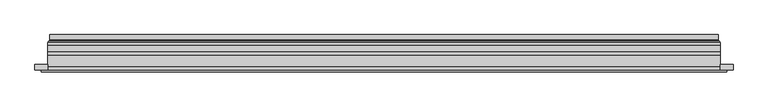
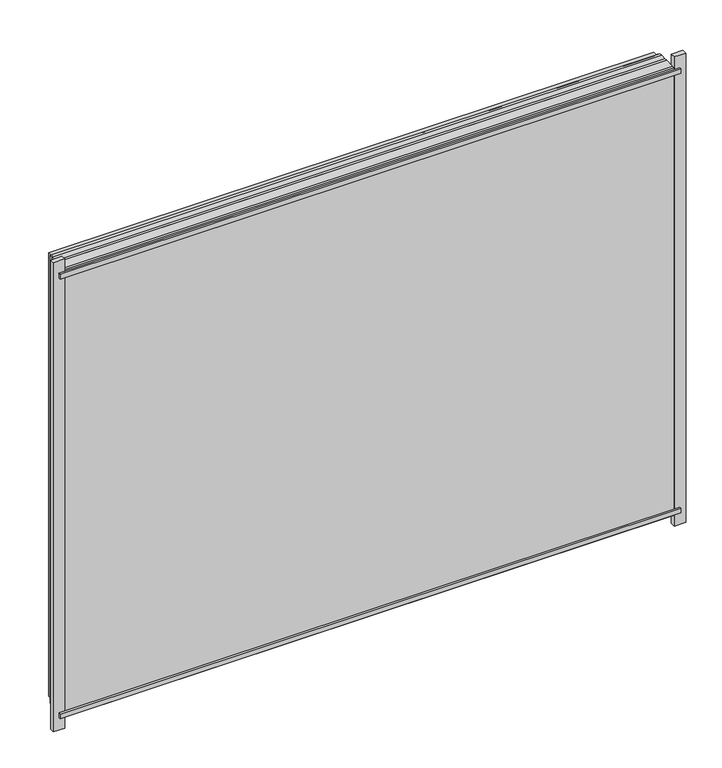
"""IFC4 building model written with IfcOpenShell, lengths in millimetres: plate geometry."""

from ifc_helpers import new_model, si_unit, frame, origin, place, context, project, spatial, polyline, ellipse_curve, outline, extrude, source, transform, mapped, element, save
from ifc_brep_helpers import plane_surface, cylinder_surface, revolved_surface, advanced_brep


def plate_a16c821b(model_context):
    return source(origin(), model_context, "Body", "SolidModel", [
        extrude(outline(polyline([(28.0, -591.5), (28.0, 591.5), (936.0000001, 591.5), (936.0000001, -591.5), (28.0, -591.5)]), holes=[polyline([(33.0, 586.5), (33.0, -586.5), (931.0000001, -586.5), (931.0000001, 586.5), (33.0, 586.5)])]), frame((0.0, 0.0, 0.0), z_axis=(0.0, 1.0, 0.0), x_axis=(0.0, 0.0, 1.0)), (0.0, 0.0, 1.0), 12.0),
        extrude(outline(polyline([(6.0, -613.5), (6.0, 613.5), (958.0000001, 613.5), (958.0000001, -613.5), (6.0, -613.5)]), holes=[polyline([(28.0, 591.5), (28.0, -591.5), (936.0000001, -591.5), (936.0000001, 591.5), (28.0, 591.5)])]), frame((0.0, -26.0, 0.0), z_axis=(0.0, 1.0, 0.0), x_axis=(0.0, 0.0, 1.0)), (0.0, 0.0, 1.0), 20.0),
        extrude(outline(polyline([(6.0, -613.5), (6.0, 613.5), (958.0000001, 613.5), (958.0000001, -613.5), (6.0, -613.5)]), holes=[polyline([(28.0, 591.5), (28.0, -591.5), (936.0000001, -591.5), (936.0000001, 591.5), (28.0, 591.5)])]), frame((0.0, -26.0, 0.0), z_axis=(0.0, 1.0, 0.0), x_axis=(0.0, 0.0, 1.0)), (0.0, 0.0, 1.0), 20.0),
        extrude(outline(polyline([(613.5, -6.0), (-613.5, -6.0), (-613.5, 0.0), (613.5, 0.0), (613.5, -6.0)])), frame((0.0, 0.0, 6.0), z_axis=(0.0, 0.0, 1.0), x_axis=(1.0, 0.0, 0.0)), (0.0, 0.0, 1.0), 952.0000001),
        extrude(outline(polyline([(625.0, -36.0), (-625.0, -36.0), (-625.0, -32.0), (625.0, -32.0), (625.0, -36.0)])), frame((0.0, 0.0, 944.5000001), z_axis=(0.0, 0.0, 1.0), x_axis=(1.0, 0.0, 0.0)), (0.0, 0.0, 1.0), 10.0),
        extrude(outline(polyline([(625.0, -36.0), (-625.0, -36.0), (-625.0, -32.0), (625.0, -32.0), (625.0, -36.0)])), frame((0.0, 0.0, 9.5), z_axis=(0.0, 0.0, 1.0), x_axis=(1.0, 0.0, 0.0)), (0.0, 0.0, 1.0), 10.0),
        extrude(outline(polyline([(-636.5, -32.0), (-636.5, -22.51), (-613.5, -22.51), (-613.5, -32.0), (-636.5, -32.0)])), frame((0.0, 0.0, -17.0), z_axis=(0.0, 0.0, 1.0), x_axis=(1.0, 0.0, 0.0)), (0.0, 0.0, 1.0), 998.0000001),
        extrude(outline(polyline([(636.5, -32.0), (613.5, -32.0), (613.5, -22.51), (636.5, -22.51), (636.5, -32.0)])), frame((0.0, 0.0, -17.0), z_axis=(0.0, 0.0, 1.0), x_axis=(1.0, 0.0, 0.0)), (0.0, 0.0, 1.0), 998.0000001),
        extrude(outline(polyline([(6.0, -613.5), (6.0, 613.5), (958.0000001, 613.5), (958.0000001, -613.5), (6.0, -613.5)]), holes=[polyline([(28.0, 591.5), (28.0, -591.5), (936.0000001, -591.5), (936.0000001, 591.5), (28.0, 591.5)])]), frame((0.0, 0.0, 0.0), z_axis=(0.0, 1.0, 0.0), x_axis=(0.0, 0.0, 1.0)), (0.0, 0.0, 1.0), 12.0),
        extrude(outline(polyline([(28.0, -591.5), (28.0, 591.5), (936.0000001, 591.5), (936.0000001, -591.5), (28.0, -591.5)]), holes=[polyline([(33.0, 586.5), (33.0, -586.5), (931.0000001, -586.5), (931.0000001, 586.5), (33.0, 586.5)])]), frame((0.0, -26.0, 0.0), z_axis=(0.0, 1.0, 0.0), x_axis=(0.0, 0.0, 1.0)), (0.0, 0.0, 1.0), 20.0),
        extrude(outline(polyline([(613.5, 18.0), (613.5, 12.0), (-613.5, 12.0), (-613.5, 18.0), (613.5, 18.0)])), frame((0.0, 0.0, 6.0), z_axis=(0.0, 0.0, 1.0), x_axis=(1.0, 0.0, 0.0)), (0.0, 0.0, 1.0), 952.0000001),
        extrude(outline(polyline([(-613.5, -32.0), (-613.5, -26.0), (613.5, -26.0), (613.5, -32.0), (-613.5, -32.0)])), frame((0.0, 0.0, 6.0), z_axis=(0.0, 0.0, 1.0), x_axis=(1.0, 0.0, 0.0)), (0.0, 0.0, 1.0), 952.0000001),
        advanced_brep(
        [(600.0000103, 32.0, 19.4999897), (-600.0000103, 32.0, 19.4999897), (-600.0000103, 21.9110895, 19.4999897), (600.0000103, 21.9110895, 19.4999897), (608.9986526, 23.3044663, 10.5013474), (-608.9986526, 23.3044663, 10.5013474), (-608.9986526, 32.0, 10.5013474), (608.9986526, 32.0, 10.5013474), (610.6689727, 20.9442833, 8.8310273), (-610.6689727, 20.9442833, 8.8310273), (610.2544044, 18.0034569, 9.2455956), (-610.2544044, 18.0034569, 9.2455956), (599.0620948, 20.2163959, 20.4379052), (-599.0620948, 20.2163959, 20.4379052), (-599.6992268, 18.0000006, 19.8007732), (599.6992268, 18.0000006, 19.8007732), (-600.0000103, 32.0, 944.5000104), (-600.0000103, 21.9110895, 944.5000104), (-608.9986526, 23.3044663, 953.4986527), (-608.9986526, 32.0, 953.4986527), (-610.6689727, 20.9442833, 955.1689729), (-610.2544044, 18.0034569, 954.7544045), (-599.0620948, 20.2163959, 943.5620949), (-599.6992268, 18.0000006, 944.1992269), (600.0000103, 32.0, 944.5000104), (600.0000103, 21.9110895, 944.5000104), (608.9986526, 23.3044663, 953.4986527), (608.9986526, 32.0, 953.4986527), (610.6689727, 20.9442833, 955.1689729), (610.2544044, 18.0034569, 954.7544045), (599.0620948, 20.2163959, 943.5620949), (599.6992268, 18.0000006, 944.1992269)],
        [
            (0, 1),
            (1, 2),
            (2, 3),
            (3, 0),
            (4, 5),
            (5, 6),
            (6, 7),
            (7, 4),
            (8, 9),
            (9, 5, ellipse_curve(frame((-611.3086832, 23.1681522, 8.1913168), z_axis=(-0.7071067811865475, 0.0, 0.7071067811865475), x_axis=(-0.7071067811865476, 0.0, -0.7071067811865474)), 3.2725594, 2.314049)),
            (4, 8, ellipse_curve(frame((611.3086832, 23.1681522, 8.1913168), z_axis=(0.7071067811865475, 0.0, 0.7071067811865475), x_axis=(-0.7071067811865476, 0.0, 0.7071067811865474)), 3.2725594, 2.314049)),
            (10, 11),
            (11, 9, ellipse_curve(frame((-610.2544044, 19.5030909, 9.2455956), z_axis=(0.7071067811865475, 0.0, -0.7071067811865475), x_axis=(0.7071067811865476, 0.0, 0.7071067811865474)), 2.1208028, 1.4996341)),
            (8, 10, ellipse_curve(frame((610.2544044, 19.5030909, 9.2455956), z_axis=(-0.7071067811865475, 0.0, -0.7071067811865475), x_axis=(0.7071067811865476, 0.0, -0.7071067811865474)), 2.1208028, 1.4996341)),
            (12, 13),
            (13, 14, ellipse_curve(frame((-599.6992268, 19.1997743, 19.8007732), z_axis=(0.7071067811865475, 0.0, -0.7071067811865475), x_axis=(0.7071067811865476, 0.0, 0.7071067811865474)), 1.6967361, 1.1997736)),
            (14, 15),
            (15, 12, ellipse_curve(frame((599.6992268, 19.1997743, 19.8007732), z_axis=(-0.7071067811865475, 0.0, -0.7071067811865475), x_axis=(0.7071067811865476, 0.0, -0.7071067811865474)), 1.6967361, 1.1997736)),
            (2, 13, ellipse_curve(frame((-598.0000051, 21.9110895, 21.4999949), z_axis=(-0.7071067811865475, 0.0, 0.7071067811865475), x_axis=(-0.7071067811865476, 0.0, -0.7071067811865474)), 2.8284345, 2.0000052)),
            (12, 3, ellipse_curve(frame((598.0000051, 21.9110895, 21.4999949), z_axis=(0.7071067811865475, 0.0, 0.7071067811865475), x_axis=(-0.7071067811865476, 0.0, 0.7071067811865474)), 2.8284345, 2.0000052)),
            (1, 16),
            (16, 17),
            (17, 2),
            (5, 18),
            (18, 19),
            (19, 6),
            (9, 20),
            (20, 18, ellipse_curve(frame((-611.3086832, 23.1681522, 955.8086833), z_axis=(0.7071067811865475, 0.0, 0.7071067811865475), x_axis=(-0.7071067811865474, 0.0, 0.7071067811865476)), 3.2725594, 2.314049)),
            (11, 21),
            (21, 20, ellipse_curve(frame((-610.2544044, 19.5030909, 954.7544045), z_axis=(-0.7071067811865475, 0.0, -0.7071067811865475), x_axis=(0.7071067811865474, 0.0, -0.7071067811865476)), 2.1208028, 1.4996341)),
            (13, 22),
            (22, 23, ellipse_curve(frame((-599.6992268, 19.1997743, 944.1992269), z_axis=(-0.7071067811865475, 0.0, -0.7071067811865475), x_axis=(0.7071067811865474, 0.0, -0.7071067811865476)), 1.6967361, 1.1997736)),
            (23, 14),
            (17, 22, ellipse_curve(frame((-598.0000051, 21.9110895, 942.5000052), z_axis=(0.7071067811865475, 0.0, 0.7071067811865475), x_axis=(-0.7071067811865474, 0.0, 0.7071067811865476)), 2.8284345, 2.0000052)),
            (16, 24),
            (24, 25),
            (25, 17),
            (18, 26),
            (26, 27),
            (27, 19),
            (20, 28),
            (28, 26, ellipse_curve(frame((611.3086832, 23.1681522, 955.8086833), z_axis=(0.7071067811865475, 0.0, -0.7071067811865475), x_axis=(0.7071067811865476, 0.0, 0.7071067811865474)), 3.2725594, 2.314049)),
            (21, 29),
            (29, 28, ellipse_curve(frame((610.2544044, 19.5030909, 954.7544045), z_axis=(-0.7071067811865475, 0.0, 0.7071067811865475), x_axis=(-0.7071067811865476, 0.0, -0.7071067811865474)), 2.1208028, 1.4996341)),
            (22, 30),
            (30, 31, ellipse_curve(frame((599.6992268, 19.1997743, 944.1992269), z_axis=(-0.7071067811865475, 0.0, 0.7071067811865475), x_axis=(-0.7071067811865476, 0.0, -0.7071067811865474)), 1.6967361, 1.1997736)),
            (31, 23),
            (25, 30, ellipse_curve(frame((598.0000051, 21.9110895, 942.5000052), z_axis=(0.7071067811865475, 0.0, -0.7071067811865475), x_axis=(0.7071067811865476, 0.0, 0.7071067811865474)), 2.8284345, 2.0000052)),
            (24, 0),
            (3, 25),
            (26, 4),
            (7, 27),
            (28, 8),
            (29, 10),
            (31, 15),
            (30, 12),
        ],
        [
            plane_surface(frame((600.0000103, 21.9110895, 19.4999897), z_axis=(0.0, 0.0, 1.0), x_axis=(-1.0, 0.0, 0.0))),
            plane_surface(frame((608.9986526, 32.0, 10.5013474), z_axis=(0.0, 0.0, -1.0), x_axis=(-1.0, 0.0, 0.0))),
            revolved_surface(polyline([(-613.6227321435756, 25.482201200000002, 8.1913168), (613.6227321435758, 25.482201200000002, 8.1913168)]), (600.0, 23.1681522, 8.1913168), (-1.0, 0.0, 0.0)),
            cylinder_surface(frame((600.0, 19.5030909, 9.2455956), z_axis=(1.0, 0.0, 0.0), x_axis=(0.0, 1.0, 0.0)), 1.4996341),
            cylinder_surface(frame((600.0, 19.1997743, 19.8007732), z_axis=(1.0, 0.0, 0.0), x_axis=(0.0, 1.0, 0.0)), 1.1997736),
            revolved_surface(polyline([(-600.0000103150919, 23.9110947, 21.4999949), (600.0000103150919, 23.9110947, 21.4999949)]), (600.0, 21.9110895, 21.4999949), (-1.0, 0.0, 0.0)),
            plane_surface(frame((-600.0000103, 21.9110895, 19.4999897), z_axis=(1.0, 0.0, 0.0), x_axis=(0.0, 0.0, 1.0))),
            plane_surface(frame((-608.9986526, 32.0, 10.5013474), z_axis=(-1.0, 0.0, 0.0), x_axis=(0.0, 0.0, 1.0))),
            revolved_surface(polyline([(-611.3086832, 25.482201200000002, 958.1227322435758), (-611.3086832, 25.482201200000002, 5.87726785642422)]), (-611.3086832, 23.1681522, 19.5), (0.0, 0.0, 1.0)),
            cylinder_surface(frame((-610.2544044, 19.5030909, 19.5), z_axis=(0.0, 0.0, -1.0), x_axis=(0.0, 1.0, 0.0)), 1.4996341),
            cylinder_surface(frame((-599.6992268, 19.1997743, 19.5), z_axis=(0.0, 0.0, -1.0), x_axis=(0.0, 1.0, 0.0)), 1.1997736),
            revolved_surface(polyline([(-598.0000051, 23.9110947, 944.500010415092), (-598.0000051, 23.9110947, 19.49998968490802)]), (-598.0000051, 21.9110895, 19.5), (0.0, 0.0, 1.0)),
            plane_surface(frame((-600.0000103, 21.9110895, 944.5000104), z_axis=(0.0, 0.0, -1.0), x_axis=(1.0, 0.0, 0.0))),
            plane_surface(frame((-608.9986526, 32.0, 953.4986527), z_axis=(0.0, 0.0, 1.0), x_axis=(1.0, 0.0, 0.0))),
            revolved_surface(polyline([(613.6227321435756, 25.482201200000002, 955.8086833), (-613.6227321435758, 25.482201200000002, 955.8086833)]), (-600.0, 23.1681522, 955.8086833), (1.0, 0.0, 0.0)),
            cylinder_surface(frame((-600.0, 19.5030909, 954.7544045), z_axis=(-1.0, 0.0, 0.0), x_axis=(0.0, 1.0, 0.0)), 1.4996341),
            cylinder_surface(frame((-600.0, 19.1997743, 944.1992269), z_axis=(-1.0, 0.0, 0.0), x_axis=(0.0, 1.0, 0.0)), 1.1997736),
            revolved_surface(polyline([(600.0000103150919, 23.9110947, 942.5000052), (-600.0000103150919, 23.9110947, 942.5000052)]), (-600.0, 21.9110895, 942.5000052), (1.0, 0.0, 0.0)),
            plane_surface(frame((600.0000103, 21.9110895, 944.5000104), z_axis=(-1.0, 0.0, 0.0), x_axis=(0.0, 0.0, -1.0))),
            plane_surface(frame((608.9986526, 32.0, 953.4986527), z_axis=(1.0, 0.0, 0.0), x_axis=(0.0, 0.0, -1.0))),
            revolved_surface(polyline([(611.3086832, 25.482201200000002, 5.877267856424169), (611.3086832, 25.482201200000002, 958.1227322435758)]), (611.3086832, 23.1681522, 944.5000001), (0.0, 0.0, -1.0)),
            cylinder_surface(frame((610.2544044, 19.5030909, 944.5000001), z_axis=(0.0, 0.0, 1.0), x_axis=(0.0, 1.0, 0.0)), 1.4996341),
            plane_surface(frame((610.2544044, 18.0000006, 954.7544045), z_axis=(0.0, -1.0, 0.0), x_axis=(0.0, 0.0, -1.0))),
            cylinder_surface(frame((599.6992268, 19.1997743, 944.5000001), z_axis=(0.0, 0.0, 1.0), x_axis=(0.0, 1.0, 0.0)), 1.1997736),
            revolved_surface(polyline([(598.0000051, 23.9110947, 19.499989684908087), (598.0000051, 23.9110947, 944.500010415092)]), (598.0000051, 21.9110895, 944.5000001), (0.0, 0.0, -1.0)),
            plane_surface(frame((600.0000103, 32.0, 944.5000104), z_axis=(0.0, 1.0, 0.0), x_axis=(0.0, 0.0, -1.0))),
        ],
        [
            (0, [[1, 2, 3, 4]]),
            (1, [[5, 6, 7, 8]]),
            (2, [[9, 10, -5, 11]]),
            (3, [[12, 13, -9, 14]]),
            (4, [[15, 16, 17, 18]]),
            (5, [[-3, 19, -15, 20]]),
            (6, [[21, 22, 23, -2]]),
            (7, [[24, 25, 26, -6]]),
            (8, [[27, 28, -24, -10]]),
            (9, [[29, 30, -27, -13]]),
            (10, [[31, 32, 33, -16]]),
            (11, [[-23, 34, -31, -19]]),
            (12, [[35, 36, 37, -22]]),
            (13, [[38, 39, 40, -25]]),
            (14, [[41, 42, -38, -28]]),
            (15, [[43, 44, -41, -30]]),
            (16, [[45, 46, 47, -32]]),
            (17, [[-37, 48, -45, -34]]),
            (18, [[49, -4, 50, -36]]),
            (19, [[51, -8, 52, -39]]),
            (20, [[53, -11, -51, -42]]),
            (21, [[54, -14, -53, -44]]),
            (22, [[-12, -54, -43, -29], [-17, -33, -47, 55]]),
            (23, [[56, -18, -55, -46]]),
            (24, [[-50, -20, -56, -48]]),
            (25, [[-7, -26, -40, -52], [-1, -49, -35, -21]]),
        ],
    ),
    ])


if __name__ == "__main__":
    model = new_model("IFC4")
    model_context = context("Model", 3, world=origin())
    ifc_project = project(units=[si_unit("LENGTHUNIT", "METRE", prefix="MILLI")], contexts=[model_context])
    site = spatial("IfcSite", under=ifc_project)
    building = spatial("IfcBuilding", under=site)
    placement = place(None, origin())
    plate_shape = plate_a16c821b(model_context)
    element("IfcPlate", 1, at=placement, inside=building, context=model_context, shape_type="MappedRepresentation", body=[
        mapped(plate_shape, transform((0.0, 0.0, 0.0), x_axis=(1.0, 0.0, 0.0), y_axis=(0.0, 1.0, 0.0), z_axis=(0.0, 0.0, 1.0))),
    ])
    save(model, "model.ifc")
